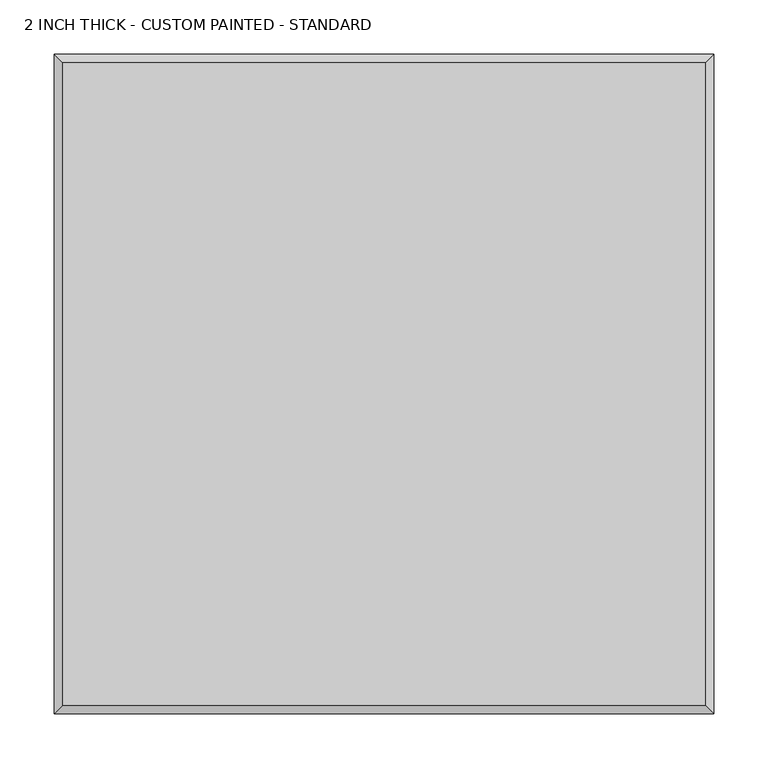
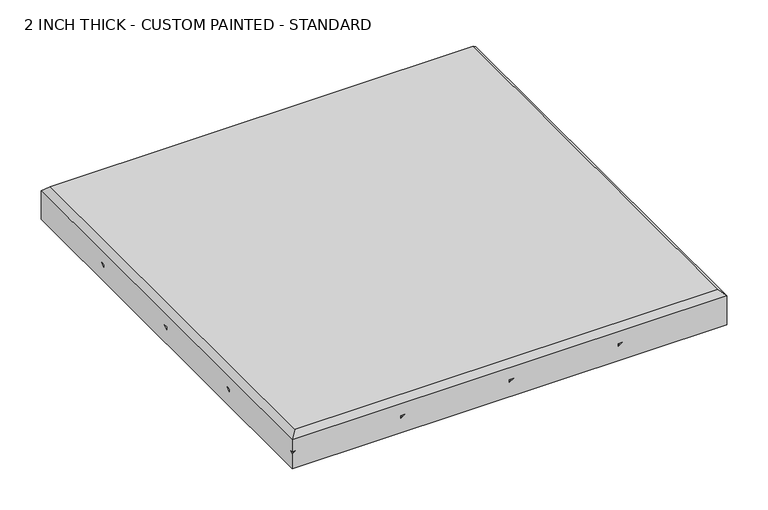
"""IFC4 building model written with IfcOpenShell, lengths in millimetres: proxy geometry, 2 INCH THICK - CUSTOM PAINTED - STANDARD."""

from ifc_helpers import new_model, si_unit, origin, place, context, project, spatial, faceted_brep, source, transform, mapped, element, save


def proxy_2_inch_thick_custom_painted_standard_72ad22c5(model_context):
    return source(origin(), model_context, "Body", "Brep", [
        faceted_brep([(296.799, 296.799, 50.8), (-296.799, 296.799, 50.8), (-296.799, -296.799, 50.8), (296.799, -296.799, 50.8), (-304.8, 304.8, 0.0), (304.8, 304.8, 0.0), (304.8, -304.8, 0.0), (-304.8, -304.8, 0.0), (-304.8, -304.8, 21.3995359), (-304.8, -299.1424894, 25.4), (-304.8, -304.8, 25.4), (-304.8, -304.8, 42.799), (-304.8, 304.8, 42.799), (-304.8, -152.3999238, 21.3996078), (-304.8, -146.7425148, 25.4), (-304.8, -152.3999238, 25.4), (-304.8, 7.62e-05, 21.3996078), (-304.8, 5.6574852, 25.4), (-304.8, 7.62e-05, 25.4), (-304.8, 152.4000762, 21.3996078), (-304.8, 158.0574852, 25.4), (-304.8, 152.4000762, 25.4), (304.8, -304.8, 42.799), (-299.1423878, -304.8, 25.4), (-146.7424132, -304.8, 25.4), (-152.3999577, -304.8, 21.399512), (-152.3999238, -304.8, 25.4), (5.6575868, -304.8, 25.4), (4.23e-05, -304.8, 21.399512), (7.62e-05, -304.8, 25.4), (158.0575868, -304.8, 25.4), (152.4000423, -304.8, 21.399512), (152.4000762, -304.8, 25.4), (304.8, 304.8, 21.3995359), (304.8, 299.1423878, 25.4), (304.8, 304.8, 25.4), (304.8, 304.8, 42.799), (304.8, 152.4000762, 25.4), (304.8, 152.4000762, 21.3995), (304.8, 146.7424132, 25.4), (304.8, 7.62e-05, 25.4), (304.8, 7.62e-05, 21.3995), (304.8, -5.6575868, 25.4), (304.8, -152.3999238, 25.4), (304.8, -152.3999238, 21.3995), (304.8, -158.0575868, 25.4), (299.1424894, 304.8, 25.4), (152.4000762, 304.8, 21.3995), (152.4000762, 304.8, 25.4), (146.7425148, 304.8, 25.4), (7.62e-05, 304.8, 21.3995), (7.62e-05, 304.8, 25.4), (-5.6574852, 304.8, 25.4), (-152.3999238, 304.8, 21.3995), (-152.3999238, 304.8, 25.4), (-158.0574852, 304.8, 25.4), (301.9712701, 155.2288061, 25.4), (-155.2287299, -301.9711939, 25.4), (301.9712701, 2.8288061, 25.4), (-2.8287299, -301.9711939, 25.4), (301.9712701, -149.5711939, 25.4), (149.5712701, -301.9711939, 25.4), (155.2288569, 301.9712193, 25.4), (-301.9711431, -155.2287807, 25.4), (2.8288569, 301.9712193, 25.4), (-301.9711431, -2.8287807, 25.4), (-149.5711431, 301.9712193, 25.4), (-301.9711431, 149.5712193, 25.4)], [[[0, 1, 2, 3]], [[4, 5, 6, 7]], [[4, 7, 8, 9, 10, 11, 12], [13, 14, 15], [16, 17, 18], [19, 20, 21]], [[7, 6, 22, 11, 10, 23, 8], [24, 25, 26], [27, 28, 29], [30, 31, 32]], [[6, 5, 33, 34, 35, 36, 22], [37, 38, 39], [40, 41, 42], [43, 44, 45]], [[5, 4, 12, 36, 35, 46, 33], [47, 48, 49], [50, 51, 52], [53, 54, 55]], [[12, 1, 0, 36]], [[1, 12, 11, 2]], [[2, 11, 22, 3]], [[36, 0, 3, 22]], [[8, 33, 46, 9]], [[33, 8, 23, 34]], [[38, 56, 57, 25]], [[38, 25, 24, 39]], [[41, 58, 59, 28]], [[41, 28, 27, 42]], [[44, 60, 61, 31]], [[44, 31, 30, 45]], [[62, 47, 13, 63]], [[13, 47, 49, 14]], [[64, 50, 16, 65]], [[16, 50, 52, 17]], [[66, 53, 19, 67]], [[19, 53, 55, 20]], [[34, 23, 10, 9, 46, 35]], [[56, 38, 37]], [[57, 56, 37, 39, 24, 26]], [[25, 57, 26]], [[58, 41, 40]], [[59, 58, 40, 42, 27, 29]], [[28, 59, 29]], [[60, 44, 43]], [[61, 60, 43, 45, 30, 32]], [[31, 61, 32]], [[47, 62, 48]], [[62, 63, 15, 14, 49, 48]], [[63, 13, 15]], [[50, 64, 51]], [[64, 65, 18, 17, 52, 51]], [[65, 16, 18]], [[53, 66, 54]], [[66, 67, 21, 20, 55, 54]], [[67, 19, 21]]]),
    ])


if __name__ == "__main__":
    model = new_model("IFC4")
    model_context = context("Model", 3, world=origin())
    ifc_project = project(units=[si_unit("LENGTHUNIT", "METRE", prefix="MILLI")], contexts=[model_context])
    site = spatial("IfcSite", under=ifc_project)
    building = spatial("IfcBuilding", under=site)
    placement = place(None, origin())
    proxy_2_inch_thick_custom_painted_standard_shape = proxy_2_inch_thick_custom_painted_standard_72ad22c5(model_context)
    element("IfcBuildingElementProxy", 1, Name="2 INCH THICK - CUSTOM PAINTED - STANDARD", ObjectType="2 INCH THICK - CUSTOM PAINTED - STANDARD", at=placement, inside=building, context=model_context, shape_type="MappedRepresentation", body=[
        mapped(proxy_2_inch_thick_custom_painted_standard_shape, transform((0.0, 0.0, 0.0), x_axis=(1.0, 0.0, 0.0), y_axis=(0.0, 1.0, 0.0), z_axis=(0.0, 0.0, 1.0))),
    ])
    save(model, "model.ifc")
